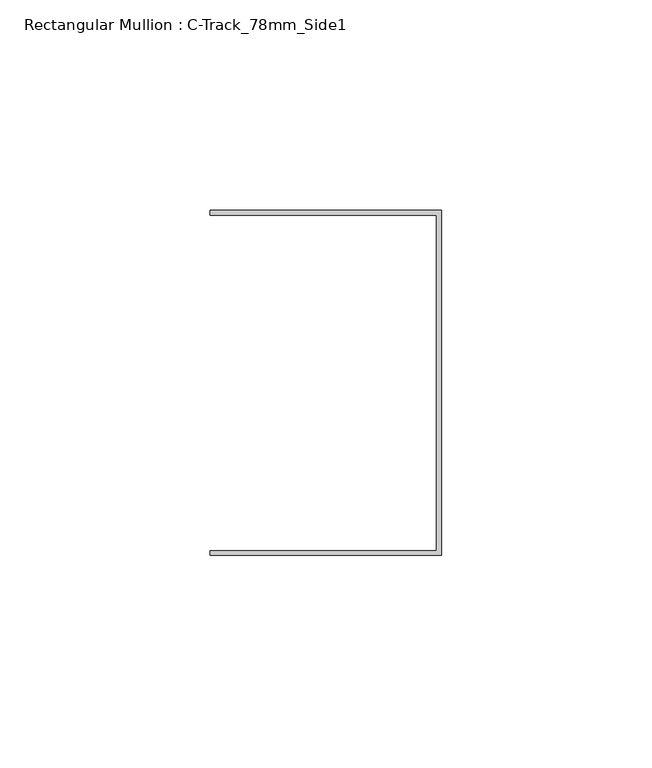
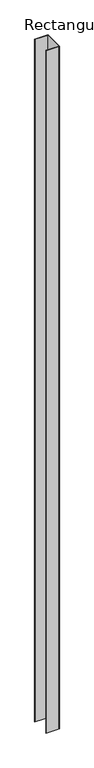
"""IFC4 building model written with IfcOpenShell, lengths in millimetres: member geometry, Rectangular Mullion : C-Track_78mm_Side1."""

from ifc_helpers import new_model, si_unit, frame, origin, place, context, project, spatial, polyline, outline, extrude, source, transform, mapped, element, save


def rectangular_mullion_c_track_78mm_side1_6bd8ccc2(model_context):
    return source(origin(), model_context, "Body", "SweptSolid", [
        extrude(outline(polyline([(-1.15, 39.85), (-55.0, 39.85), (-55.0, 41.0), (0.0, 41.0), (0.0, -41.0), (-55.0, -41.0), (-55.0, -39.85), (-1.15, -39.85), (-1.15, 39.85)])), frame((0.0, 0.0, -3000.0), z_axis=(0.0, 0.0, 1.0), x_axis=(1.0, 0.0, 0.0)), (0.0, 0.0, 1.0), 3000.0),
    ])


if __name__ == "__main__":
    model = new_model("IFC4")
    model_context = context("Model", 3, world=origin())
    ifc_project = project(units=[si_unit("LENGTHUNIT", "METRE", prefix="MILLI")], contexts=[model_context])
    site = spatial("IfcSite", under=ifc_project)
    building = spatial("IfcBuilding", under=site)
    placement = place(None, origin())
    rectangular_mullion_c_track_78mm_side1_shape = rectangular_mullion_c_track_78mm_side1_6bd8ccc2(model_context)
    element("IfcMember", 1, ObjectType="Rectangular Mullion : C-Track_78mm_Side1", at=placement, inside=building, context=model_context, shape_type="MappedRepresentation", body=[
        mapped(rectangular_mullion_c_track_78mm_side1_shape, transform((0.0, 0.0, 0.0), x_axis=(1.0, 0.0, 0.0), y_axis=(0.0, 1.0, 0.0), z_axis=(0.0, 0.0, 1.0))),
    ])
    save(model, "model.ifc")
